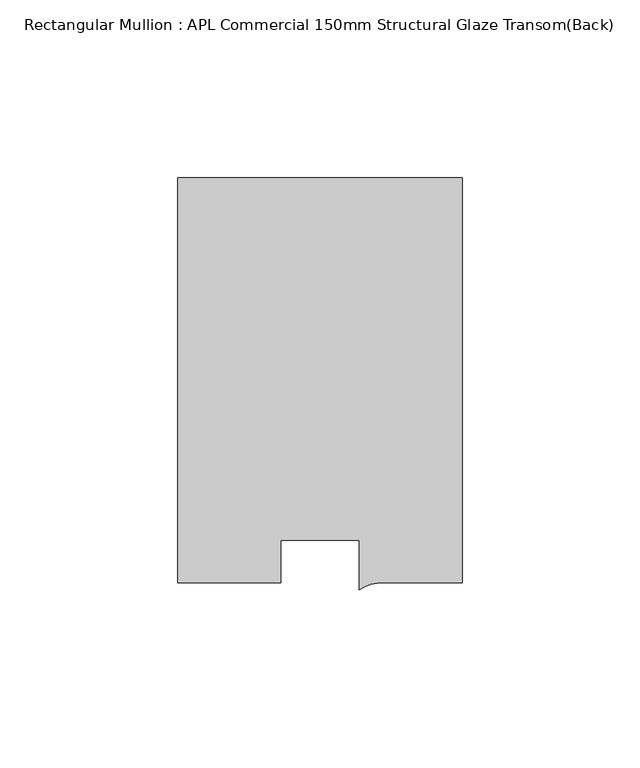
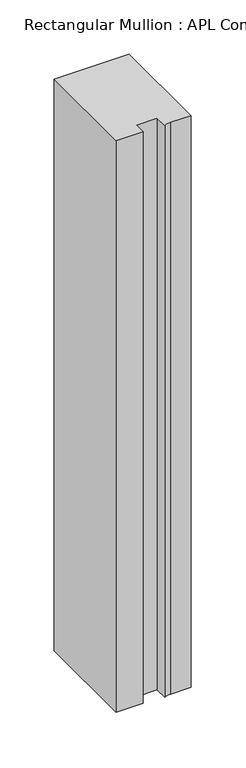
"""IFC4 building model written with IfcOpenShell, lengths in millimetres: member geometry, Rectangular Mullion : APL Commercial 150mm Structural Glaze Transom(Back)."""

from ifc_helpers import new_model, si_unit, point, frame, frame_2d, origin, place, context, project, spatial, polyline, circle_curve, trimmed, segment, composite_curve, outline, extrude, source, transform, mapped, element, save


def rectangular_mullion_apl_commercial_150mm_structural_glaze_c2d1f548(model_context):
    return source(origin(), model_context, "Body", "SweptSolid", [
        extrude(outline(composite_curve([segment(polyline([(40.0, 128.9999975), (40.0, 15.0000829), (17.9999542, 15.0000829)]), True, "CONTINUOUS"), segment(trimmed(circle_curve(frame_2d((17.1097719, 4.581653)), 10.4563907), [point((17.9999542, 15.0000829))], [point((11.0000151, 13.0673455))], True, "CARTESIAN"), True, "CONTINUOUS"), segment(polyline([(11.0000151, 13.0673455), (11.0000151, 27.0), (-11.0000151, 27.0), (-11.0000151, 15.0000829), (-40.0, 15.0000829), (-40.0, 128.9999975), (40.0, 128.9999975)]), True, "CONTINUOUS")], self_intersect=False)), frame((0.0, 0.0, -644.0249631), z_axis=(0.0, 0.0, 1.0), x_axis=(1.0, 0.0, 0.0)), (0.0, 0.0, 1.0), 644.0249631),
    ])


if __name__ == "__main__":
    model = new_model("IFC4")
    model_context = context("Model", 3, world=origin())
    ifc_project = project(units=[si_unit("LENGTHUNIT", "METRE", prefix="MILLI")], contexts=[model_context])
    site = spatial("IfcSite", under=ifc_project)
    building = spatial("IfcBuilding", under=site)
    placement = place(None, origin())
    rectangular_mullion_apl_commercial_150mm_structural_glaze_shape = rectangular_mullion_apl_commercial_150mm_structural_glaze_c2d1f548(model_context)
    element("IfcMember", 1, ObjectType="Rectangular Mullion : APL Commercial 150mm Structural Glaze Transom(Back)", at=placement, inside=building, context=model_context, shape_type="MappedRepresentation", body=[
        mapped(rectangular_mullion_apl_commercial_150mm_structural_glaze_shape, transform((0.0, 0.0, 0.0), x_axis=(1.0, 0.0, 0.0), y_axis=(0.0, 1.0, 0.0), z_axis=(0.0, 0.0, 1.0))),
    ])
    save(model, "model.ifc")
